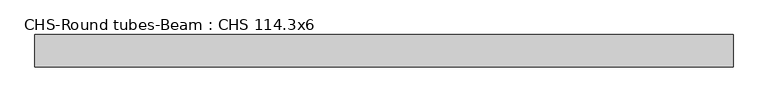
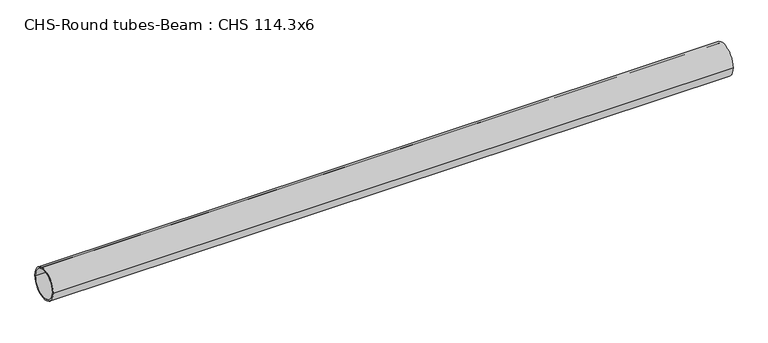
"""IFC4 building model written with IfcOpenShell, lengths in millimetres: beam geometry, CHS-Round tubes-Beam : CHS 114.3x6."""

from ifc_helpers import new_model, si_unit, point, frame, origin, origin_2d, place, context, project, spatial, circle_curve, trimmed, segment, composite_curve, outline, extrude, source, transform, mapped, element, save


def chs_round_tubes_beam_chs_114_3x6_6673b88c(model_context):
    return source(origin(), model_context, "Body", "SweptSolid", [
        extrude(outline(composite_curve([segment(trimmed(circle_curve(origin_2d(), 57.15), [point((57.15, 0.0))], [point((-57.15, 0.0))], False, "CARTESIAN"), True, "CONTINUOUS"), segment(trimmed(circle_curve(origin_2d(), 57.15), [point((-57.15, 0.0))], [point((57.15, 0.0))], False, "CARTESIAN"), True, "CONTINUOUS")], self_intersect=False), holes=[composite_curve([segment(trimmed(circle_curve(origin_2d(), 51.15), [point((51.15, 0.0))], [point((-51.15, 0.0))], True, "CARTESIAN"), True, "CONTINUOUS"), segment(trimmed(circle_curve(origin_2d(), 51.15), [point((-51.15, 0.0))], [point((51.15, 0.0))], True, "CARTESIAN"), True, "CONTINUOUS")], self_intersect=False)]), frame((-1198.6912429, 0.0, 0.0), z_axis=(1.0, 0.0, 0.0), x_axis=(0.0, 1.0, 0.0)), (0.0, 0.0, 1.0), 2471.4069321),
    ])


if __name__ == "__main__":
    model = new_model("IFC4")
    model_context = context("Model", 3, world=origin())
    ifc_project = project(units=[si_unit("LENGTHUNIT", "METRE", prefix="MILLI")], contexts=[model_context])
    site = spatial("IfcSite", under=ifc_project)
    building = spatial("IfcBuilding", under=site)
    placement = place(None, origin())
    chs_round_tubes_beam_chs_114_3x6_shape = chs_round_tubes_beam_chs_114_3x6_6673b88c(model_context)
    element("IfcBeam", 1, ObjectType="CHS-Round tubes-Beam : CHS 114.3x6", at=placement, inside=building, context=model_context, shape_type="MappedRepresentation", body=[
        mapped(chs_round_tubes_beam_chs_114_3x6_shape, transform((0.0, 0.0, 0.0), x_axis=(1.0, 0.0, 0.0), y_axis=(0.0, 1.0, 0.0), z_axis=(0.0, 0.0, 1.0))),
    ])
    save(model, "model.ifc")
